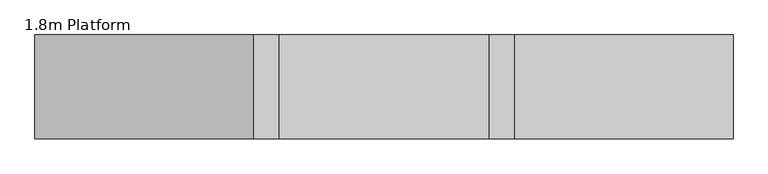
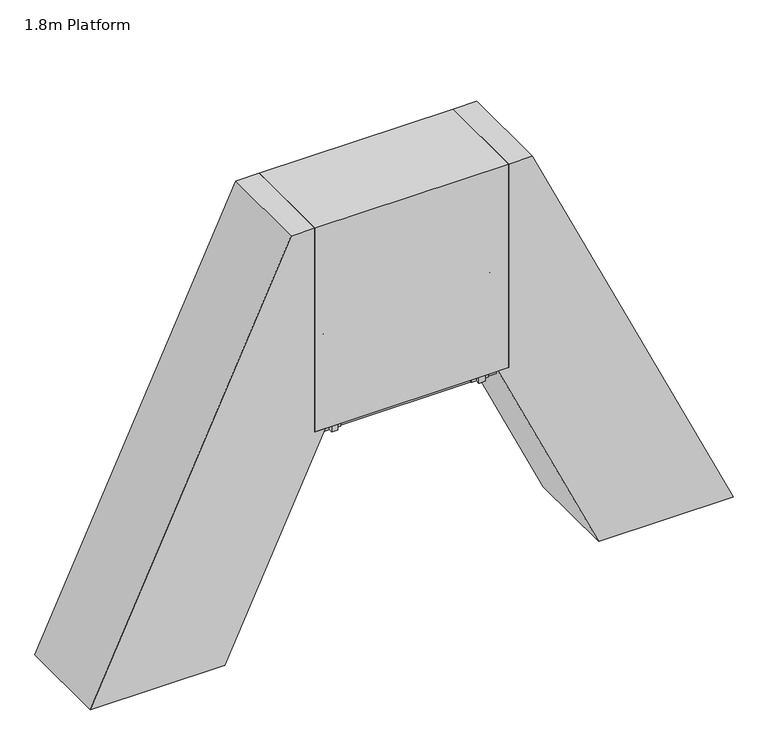
"""IFC4 building model written with IfcOpenShell, lengths in millimetres: proxy geometry, 1.8m Platform."""

from ifc_helpers import new_model, si_unit, point, frame, frame_2d, origin, origin_with_axes, place, context, project, spatial, polyline, circle_curve, ellipse_curve, trimmed, segment, composite_curve, outline, extrude, source, transform, mapped, element, save
from ifc_brep_helpers import plane_surface, cylinder_surface, advanced_brep


def proxy_1_8m_platform_fa402ae0(model_context):
    return source(origin(), model_context, "Body", "SolidModel", [
        extrude(outline(polyline([(1750.0, -37.3232176), (1750.0, -147.6610096), (1670.0, -184.9656223), (1670.0, -74.6278252), (1750.0, -37.3232176)])), frame((0.0, -304.5, 0.0), z_axis=(0.0, 1.0, 0.0), x_axis=(0.0, 0.0, 1.0)), (0.0, 0.0, 1.0), 6.0),
        extrude(outline(polyline([(1750.0, -37.3232176), (1750.0, -147.6610096), (1670.0, -184.9656223), (1670.0, -74.6278252), (1750.0, -37.3232176)])), frame((0.0, 298.5, 0.0), z_axis=(0.0, 1.0, 0.0), x_axis=(0.0, 0.0, 1.0)), (0.0, 0.0, 1.0), 6.0),
        extrude(outline(polyline([(1750.0, -44.4951739), (1750.0, -64.7570794), (1749.2749538, -65.0951739), (1750.0, -65.4332685), (1750.0, -85.3570794), (1749.2749538, -85.6951739), (1750.0, -86.0332685), (1750.0, -105.9570794), (1749.2749538, -106.2951739), (1750.0, -106.6332685), (1750.0, -126.5570794), (1749.2749538, -126.8951739), (1750.0, -127.2332685), (1750.0, -147.6610096), (1712.0999991, -165.3340703), (1712.0999991, -163.1273145), (1747.0, -146.8531768), (1747.0, -48.1008525), (1712.0999991, -64.374988), (1712.0999991, -62.1682322), (1750.0, -44.4951739)])), frame((0.0, -298.5, 0.0), z_axis=(0.0, 1.0, 0.0), x_axis=(0.0, 0.0, 1.0)), (0.0, 0.0, 1.0), 597.0),
        extrude(outline(polyline([(1500.0, -153.9047051), (1500.0, -264.2424971), (1420.0, -301.5471097), (1420.0, -191.2093127), (1500.0, -153.9047051)])), frame((0.0, -304.5, 0.0), z_axis=(0.0, 1.0, 0.0), x_axis=(0.0, 0.0, 1.0)), (0.0, 0.0, 1.0), 6.0),
        extrude(outline(polyline([(1500.0, -153.9047051), (1500.0, -264.2424971), (1420.0, -301.5471097), (1420.0, -191.2093127), (1500.0, -153.9047051)])), frame((0.0, 298.5, 0.0), z_axis=(0.0, 1.0, 0.0), x_axis=(0.0, 0.0, 1.0)), (0.0, 0.0, 1.0), 6.0),
        extrude(outline(polyline([(1500.0, -161.0766614), (1500.0, -181.3385668), (1499.2749538, -181.6766614), (1500.0, -182.0147559), (1500.0, -201.9385668), (1499.2749538, -202.2766614), (1500.0, -202.6147559), (1500.0, -222.5385668), (1499.2749538, -222.8766614), (1500.0, -223.2147559), (1500.0, -243.1385668), (1499.2749538, -243.4766614), (1500.0, -243.8147559), (1500.0, -264.2424971), (1462.0999991, -281.9155577), (1462.0999991, -279.7088019), (1497.0, -263.4346642), (1497.0, -164.6823399), (1462.0999991, -180.9564754), (1462.0999991, -178.7497196), (1500.0, -161.0766614)])), frame((0.0, -298.5, 0.0), z_axis=(0.0, 1.0, 0.0), x_axis=(0.0, 0.0, 1.0)), (0.0, 0.0, 1.0), 597.0),
        extrude(outline(polyline([(1250.0, -270.4861925), (1250.0, -380.8239845), (1170.0, -418.1285972), (1170.0, -307.7908001), (1250.0, -270.4861925)])), frame((0.0, -304.5, 0.0), z_axis=(0.0, 1.0, 0.0), x_axis=(0.0, 0.0, 1.0)), (0.0, 0.0, 1.0), 6.0),
        extrude(outline(polyline([(1250.0, -270.4861925), (1250.0, -380.8239845), (1170.0, -418.1285972), (1170.0, -307.7908001), (1250.0, -270.4861925)])), frame((0.0, 298.5, 0.0), z_axis=(0.0, 1.0, 0.0), x_axis=(0.0, 0.0, 1.0)), (0.0, 0.0, 1.0), 6.0),
        extrude(outline(polyline([(1250.0, -277.6581488), (1250.0, -297.9200542), (1249.2749538, -298.2581488), (1250.0, -298.5962434), (1250.0, -318.5200542), (1249.2749538, -318.8581488), (1250.0, -319.1962434), (1250.0, -339.1200542), (1249.2749538, -339.4581488), (1250.0, -339.7962434), (1250.0, -359.7200542), (1249.2749538, -360.0581488), (1250.0, -360.3962434), (1250.0, -380.8239845), (1212.0999991, -398.4970451), (1212.0999991, -396.2902893), (1247.0, -380.0161516), (1247.0, -281.2638274), (1212.0999991, -297.5379628), (1212.0999991, -295.331207), (1250.0, -277.6581488)])), frame((0.0, -298.5, 0.0), z_axis=(0.0, 1.0, 0.0), x_axis=(0.0, 0.0, 1.0)), (0.0, 0.0, 1.0), 597.0),
        extrude(outline(polyline([(1000.0, -387.0676799), (1000.0, -497.4054719), (920.0, -534.7100846), (920.0, -424.3722875), (1000.0, -387.0676799)])), frame((0.0, -304.5, 0.0), z_axis=(0.0, 1.0, 0.0), x_axis=(0.0, 0.0, 1.0)), (0.0, 0.0, 1.0), 6.0),
        extrude(outline(polyline([(1000.0, -387.0676799), (1000.0, -497.4054719), (920.0, -534.7100846), (920.0, -424.3722875), (1000.0, -387.0676799)])), frame((0.0, 298.5, 0.0), z_axis=(0.0, 1.0, 0.0), x_axis=(0.0, 0.0, 1.0)), (0.0, 0.0, 1.0), 6.0),
        extrude(outline(polyline([(1000.0, -394.2396362), (1000.0, -414.5015416), (999.2749538, -414.8396362), (1000.0, -415.1777308), (1000.0, -435.1015416), (999.2749538, -435.4396362), (1000.0, -435.7777308), (1000.0, -455.7015416), (999.2749538, -456.0396362), (1000.0, -456.3777308), (1000.0, -476.3015416), (999.2749538, -476.6396362), (1000.0, -476.9777308), (1000.0, -497.4054719), (962.0999991, -515.0785326), (962.0999991, -512.8717767), (997.0, -496.5976391), (997.0, -397.8453148), (962.0999991, -414.1194502), (962.0999991, -411.9126945), (1000.0, -394.2396362)])), frame((0.0, -298.5, 0.0), z_axis=(0.0, 1.0, 0.0), x_axis=(0.0, 0.0, 1.0)), (0.0, 0.0, 1.0), 597.0),
        extrude(outline(polyline([(750.0, -503.6491673), (750.0, -613.9869594), (670.0, -651.291572), (670.0, -540.9537749), (750.0, -503.6491673)])), frame((0.0, -304.5, 0.0), z_axis=(0.0, 1.0, 0.0), x_axis=(0.0, 0.0, 1.0)), (0.0, 0.0, 1.0), 6.0),
        extrude(outline(polyline([(750.0, -503.6491673), (750.0, -613.9869594), (670.0, -651.291572), (670.0, -540.9537749), (750.0, -503.6491673)])), frame((0.0, 298.5, 0.0), z_axis=(0.0, 1.0, 0.0), x_axis=(0.0, 0.0, 1.0)), (0.0, 0.0, 1.0), 6.0),
        extrude(outline(polyline([(750.0, -510.8211236), (750.0, -531.0830291), (749.2749538, -531.4211236), (750.0, -531.7592182), (750.0, -551.6830291), (749.2749538, -552.0211236), (750.0, -552.3592182), (750.0, -572.2830291), (749.2749538, -572.6211236), (750.0, -572.9592182), (750.0, -592.8830291), (749.2749538, -593.2211236), (750.0, -593.5592182), (750.0, -613.9869594), (712.0999991, -631.66002), (712.0999991, -629.4532642), (747.0, -613.1791265), (747.0, -514.4268022), (712.0999991, -530.7009377), (712.0999991, -528.4941819), (750.0, -510.8211236)])), frame((0.0, -298.5, 0.0), z_axis=(0.0, 1.0, 0.0), x_axis=(0.0, 0.0, 1.0)), (0.0, 0.0, 1.0), 597.0),
        extrude(outline(polyline([(500.0, -620.2306548), (500.0, -730.5684468), (420.0, -767.8730594), (420.0, -657.5352624), (500.0, -620.2306548)])), frame((0.0, -304.5, 0.0), z_axis=(0.0, 1.0, 0.0), x_axis=(0.0, 0.0, 1.0)), (0.0, 0.0, 1.0), 6.0),
        extrude(outline(polyline([(500.0, -620.2306548), (500.0, -730.5684468), (420.0, -767.8730594), (420.0, -657.5352624), (500.0, -620.2306548)])), frame((0.0, 298.5, 0.0), z_axis=(0.0, 1.0, 0.0), x_axis=(0.0, 0.0, 1.0)), (0.0, 0.0, 1.0), 6.0),
        extrude(outline(polyline([(500.0, -627.4026111), (500.0, -647.6645165), (499.2749538, -648.0026111), (500.0, -648.3407056), (500.0, -668.2645165), (499.2749538, -668.6026111), (500.0, -668.9407056), (500.0, -688.8645165), (499.2749538, -689.2026111), (500.0, -689.5407056), (500.0, -709.4645165), (499.2749538, -709.8026111), (500.0, -710.1407056), (500.0, -730.5684468), (462.0999991, -748.2415074), (462.0999991, -746.0347516), (497.0, -729.7606139), (497.0, -631.0082896), (462.0999991, -647.2824251), (462.0999991, -645.0756693), (500.0, -627.4026111)])), frame((0.0, -298.5, 0.0), z_axis=(0.0, 1.0, 0.0), x_axis=(0.0, 0.0, 1.0)), (0.0, 0.0, 1.0), 597.0),
        extrude(outline(polyline([(-0.0541093, 0.0), (0.7582532, 5.9447512), (185.4590013, 5.9447512), (254.8144324, -3.5328109), (254.0020699, -9.4775622), (184.6466388, 0.0), (-0.0541093, 0.0)])), frame((-654.795957, -375.0, 1079.978918), z_axis=(0.4226302122585525, 0.0, 0.9063022143227341), x_axis=(0.897956867570804, 0.13539374535780344, -0.4187385791880372)), (0.0, 0.0, 1.0), 80.0),
        extrude(outline(polyline([(-0.0541093, 0.0), (0.7582532, 5.9447512), (185.4590013, 5.9447512), (254.8144324, -3.5328109), (254.0020699, -9.4775622), (184.6466388, 0.0), (-0.0541093, 0.0)])), frame((-293.5643851, -375.0, 1854.615856), z_axis=(0.4226302122585525, 0.0, 0.9063022143227341), x_axis=(0.897956867570804, 0.13539374535780344, -0.4187385791880372)), (0.0, 0.0, 1.0), 80.0),
        extrude(outline(polyline([(0.0, 32.0), (2.9999999, 32.0), (2.9999999, 0.0), (0.0, 0.0), (0.0, 32.0)])), frame((-670.2423578, -388.0, 1054.0803998), z_axis=(0.4226302122585525, 0.0, 0.9063022143227341), x_axis=(0.9063022143227341, 0.0, -0.4226302122585525)), (0.0, 0.0, 1.0), 140.0),
        extrude(outline(polyline([(0.0, 32.0), (2.9999999, 32.0), (2.9999999, 0.0), (0.0, 0.0), (0.0, 32.0)])), frame((-309.0107859, -388.0, 1828.7173378), z_axis=(0.4226302122585525, 0.0, 0.9063022143227341), x_axis=(0.9063022143227341, 0.0, -0.4226302122585525)), (0.0, 0.0, 1.0), 140.0),
        extrude(outline(composite_curve([segment(trimmed(circle_curve(frame_2d((0.0, 14.189404)), 22.4521533), [point((-17.4, 0.0))], [point((17.4, 0.0))], False, "CARTESIAN"), True, "CONTINUOUS"), segment(polyline([(17.4, 0.0), (-17.4, 0.0)]), True, "CONTINUOUS")], self_intersect=False)), frame((-742.0894939, -372.0, 900.0090234), z_axis=(0.4226302122585525, 0.0, 0.9063022143227341), x_axis=(0.0, 1.0, 0.0)), (0.0, 0.0, 1.0), 2184.7225481),
        extrude(outline(polyline([(-0.0541093, 0.0), (184.6466388, 0.0), (254.0020699, 9.4775622), (254.8144324, 3.5328109), (185.4590013, -5.9447512), (0.7582532, -5.9447512), (-0.0541093, 0.0)])), frame((-654.7949657, 375.0, 1079.981044), z_axis=(0.4226302122585526, 0.0, 0.9063022143227341), x_axis=(0.8979568675708031, -0.13539374535780926, -0.4187385791880372)), (0.0, 0.0, 1.0), 80.0),
        extrude(outline(polyline([(-0.0541093, 0.0), (184.6466389, 0.0), (254.00207, 9.4775622), (254.8144324, 3.532811), (185.4590014, -5.9447512), (0.7582532, -5.9447512), (-0.0541093, 0.0)])), frame((-293.5633938, 375.0, 1854.617982), z_axis=(0.4226302122585526, 0.0, 0.9063022143227341), x_axis=(0.8979568675708031, -0.13539374535780926, -0.4187385791880372)), (0.0, 0.0, 1.0), 80.0),
        extrude(outline(polyline([(0.0, -32.0), (0.0, 0.0), (2.9999999, 0.0), (2.9999999, -32.0), (0.0, -32.0)])), frame((-670.2413665, 388.0, 1054.0825258), z_axis=(0.4226302122585525, 0.0, 0.9063022143227341), x_axis=(0.9063022143227341, 0.0, -0.4226302122585525)), (0.0, 0.0, 1.0), 140.0),
        extrude(outline(polyline([(0.0, -32.0), (0.0, 0.0), (3.0, 0.0), (3.0, -32.0), (0.0, -32.0)])), frame((-309.0097946, 388.0, 1828.7194638), z_axis=(0.4226302122585525, 0.0, 0.9063022143227341), x_axis=(0.9063022143227341, 0.0, -0.4226302122585525)), (0.0, 0.0, 1.0), 140.0),
        extrude(outline(composite_curve([segment(polyline([(-17.4, 0.0), (17.4, 0.0)]), True, "CONTINUOUS"), segment(trimmed(circle_curve(frame_2d((0.0, -14.189404)), 22.4521533), [point((17.4, 0.0))], [point((-17.4, 0.0))], False, "CARTESIAN"), True, "CONTINUOUS")], self_intersect=False)), frame((-742.0885026, 372.0, 900.0111494), z_axis=(0.4226302122585525, 0.0, 0.9063022143227341), x_axis=(0.0, -1.0, 0.0)), (0.0, 0.0, 1.0), 2184.7225481),
        extrude(outline(polyline([(2000.0, 79.2582698), (2000.0, -31.0795222), (1920.0, -68.3841349), (1920.0, 41.9536622), (2000.0, 79.2582698)])), frame((0.0, -304.5, 0.0), z_axis=(0.0, 1.0, 0.0), x_axis=(0.0, 0.0, 1.0)), (0.0, 0.0, 1.0), 6.0),
        extrude(outline(polyline([(2000.0, 79.2582698), (2000.0, -31.0795222), (1920.0, -68.3841349), (1920.0, 41.9536622), (2000.0, 79.2582698)])), frame((0.0, 298.5, 0.0), z_axis=(0.0, 1.0, 0.0), x_axis=(0.0, 0.0, 1.0)), (0.0, 0.0, 1.0), 6.0),
        extrude(outline(polyline([(2000.0, 72.0863135), (2000.0, 51.8244081), (1999.2749538, 51.4863135), (2000.0, 51.1482189), (2000.0, 31.2244081), (1999.2749538, 30.8863135), (2000.0, 30.5482189), (2000.0, 10.6244081), (1999.2749538, 10.2863135), (2000.0, 9.9482189), (2000.0, -9.9755919), (1999.2749538, -10.3136865), (2000.0, -10.6517811), (2000.0, -31.0795222), (1962.0999991, -48.7525829), (1962.0999991, -46.545827), (1997.0, -30.2716894), (1997.0, 68.4806349), (1962.0999991, 52.2064995), (1962.0999991, 54.4132553), (2000.0, 72.0863135)])), frame((0.0, -298.5, 0.0), z_axis=(0.0, 1.0, 0.0), x_axis=(0.0, 0.0, 1.0)), (0.0, 0.0, 1.0), 597.0),
        extrude(outline(polyline([(250.0, -736.8121422), (250.0, -847.1499342), (170.0, -884.4545469), (170.0, -774.1167498), (250.0, -736.8121422)])), frame((0.0, -304.5, 0.0), z_axis=(0.0, 1.0, 0.0), x_axis=(0.0, 0.0, 1.0)), (0.0, 0.0, 1.0), 6.0),
        extrude(outline(polyline([(250.0, -736.8121422), (250.0, -847.1499342), (170.0, -884.4545469), (170.0, -774.1167498), (250.0, -736.8121422)])), frame((0.0, 298.5, 0.0), z_axis=(0.0, 1.0, 0.0), x_axis=(0.0, 0.0, 1.0)), (0.0, 0.0, 1.0), 6.0),
        extrude(outline(polyline([(250.0, -743.9840985), (250.0, -764.2460039), (249.2749538, -764.5840985), (250.0, -764.9221931), (250.0, -784.8460039), (249.2749538, -785.1840985), (250.0, -785.5221931), (250.0, -805.4460039), (249.2749538, -805.7840985), (250.0, -806.1221931), (250.0, -826.0460039), (249.2749538, -826.3840985), (250.0, -826.7221931), (250.0, -847.1499342), (212.0999991, -864.8229949), (212.0999991, -862.616239), (247.0, -846.3421014), (247.0, -747.5897771), (212.0999991, -763.8639125), (212.0999991, -761.6571567), (250.0, -743.9840985)])), frame((0.0, -298.5, 0.0), z_axis=(0.0, 1.0, 0.0), x_axis=(0.0, 0.0, 1.0)), (0.0, 0.0, 1.0), 597.0),
        advanced_brep(
        [(232.0863135, -372.0, 2942.0), (232.0863135, -372.0, 2987.0), (219.3551755, -372.0, 2942.0), (190.687222, -372.0, 2987.0), (188.8104548, -372.0, 2876.4977609), (148.0267296, -372.0, 2895.5158512)],
        [
            (0, 1, circle_curve(frame((232.0863135, -372.0, 2964.5), z_axis=(1.0, 0.0, 0.0), x_axis=(0.0, 0.0, 1.0)), 22.5)),
            (1, 0, circle_curve(frame((232.0863135, -372.0, 2964.5), z_axis=(1.0, 0.0, 0.0), x_axis=(0.0, 0.0, 1.0)), 22.5)),
            (0, 2),
            (2, 3, ellipse_curve(frame((205.0211988, -372.0, 2964.5), z_axis=(0.8433932143582125, 0.0, 0.5372968322766498), x_axis=(0.5372968322766497, 0.0, -0.8433932143582125)), 26.6779476, 22.5)),
            (3, 1),
            (3, 2, ellipse_curve(frame((205.0211988, -372.0, 2964.5), z_axis=(0.8433932143582125, 0.0, 0.5372968322766498), x_axis=(0.5372968322766497, 0.0, -0.8433932143582125)), 26.6779476, 22.5)),
            (4, 5, circle_curve(frame((168.4185922, -372.0, 2886.0068061), z_axis=(-0.42262422805095523, 0.0, -0.9063050048765781), x_axis=(-0.9063050048765781, 0.0, 0.42262422805095523)), 22.5)),
            (5, 4, circle_curve(frame((168.4185922, -372.0, 2886.0068061), z_axis=(-0.42262422805095523, 0.0, -0.9063050048765781), x_axis=(-0.9063050048765781, 0.0, 0.42262422805095523)), 22.5)),
            (2, 4),
            (5, 3),
        ],
        [
            plane_surface(frame((232.0863135, 0.0, 2987.0), z_axis=(1.0, 0.0, 0.0), x_axis=(0.0, 1.0, 0.0))),
            cylinder_surface(frame((232.0863135, -372.0, 2964.5), z_axis=(1.0, 0.0, 0.0), x_axis=(0.0, 0.0, 1.0)), 22.5),
            plane_surface(frame((148.0267296, 0.0, 2895.5158512), z_axis=(-0.42262422805095523, 0.0, -0.9063050048765781), x_axis=(0.0, 1.0, 0.0))),
            cylinder_surface(frame((211.0790846, -372.0, 2977.4909549), z_axis=(0.42262422805095523, 0.0, 0.9063050048765781), x_axis=(-0.9063050048765781, 0.0, 0.42262422805095523)), 22.5),
        ],
        [
            (0, [[1, 2]]),
            (1, [[-1, 3, 4, 5]]),
            (1, [[-2, -5, 6, -3]]),
            (2, [[7, 8]]),
            (3, [[-4, 9, -8, 10]]),
            (3, [[-6, -10, -7, -9]]),
        ],
    ),
        advanced_brep(
        [(232.0863135, 372.0, 2942.0), (232.0863135, 372.0, 2987.0), (219.3551755, 372.0, 2942.0), (190.687222, 372.0, 2987.0), (188.8104548, 372.0, 2876.4977609), (148.0267296, 372.0, 2895.5158512)],
        [
            (0, 1, circle_curve(frame((232.0863135, 372.0, 2964.5), z_axis=(1.0, 0.0, 0.0), x_axis=(0.0, 0.0, 1.0)), 22.5)),
            (1, 0, circle_curve(frame((232.0863135, 372.0, 2964.5), z_axis=(1.0, 0.0, 0.0), x_axis=(0.0, 0.0, 1.0)), 22.5)),
            (0, 2),
            (2, 3, ellipse_curve(frame((205.0211988, 372.0, 2964.5), z_axis=(0.8433932143582125, 0.0, 0.5372968322766498), x_axis=(0.5372968322766497, 0.0, -0.8433932143582125)), 26.6779476, 22.5)),
            (3, 1),
            (3, 2, ellipse_curve(frame((205.0211988, 372.0, 2964.5), z_axis=(0.8433932143582125, 0.0, 0.5372968322766498), x_axis=(0.5372968322766497, 0.0, -0.8433932143582125)), 26.6779476, 22.5)),
            (4, 5, circle_curve(frame((168.4185922, 372.0, 2886.0068061), z_axis=(-0.42262422805095523, 0.0, -0.9063050048765781), x_axis=(-0.9063050048765781, 0.0, 0.42262422805095523)), 22.5)),
            (5, 4, circle_curve(frame((168.4185922, 372.0, 2886.0068061), z_axis=(-0.42262422805095523, 0.0, -0.9063050048765781), x_axis=(-0.9063050048765781, 0.0, 0.42262422805095523)), 22.5)),
            (2, 4),
            (5, 3),
        ],
        [
            plane_surface(frame((232.0863135, 0.0, 2987.0), z_axis=(1.0, 0.0, 0.0), x_axis=(0.0, 1.0, 0.0))),
            cylinder_surface(frame((232.0863135, 372.0, 2964.5), z_axis=(1.0, 0.0, 0.0), x_axis=(0.0, 0.0, 1.0)), 22.5),
            plane_surface(frame((148.0267296, 0.0, 2895.5158512), z_axis=(-0.42262422805095523, 0.0, -0.9063050048765781), x_axis=(0.0, 1.0, 0.0))),
            cylinder_surface(frame((211.0790846, 372.0, 2977.4909549), z_axis=(0.42262422805095523, 0.0, 0.9063050048765781), x_axis=(-0.9063050048765781, 0.0, 0.42262422805095523)), 22.5),
        ],
        [
            (0, [[1, 2]]),
            (1, [[-1, 3, 4, 5]]),
            (1, [[-2, -5, 6, -3]]),
            (2, [[7, 8]]),
            (3, [[-4, 9, -8, 10]]),
            (3, [[-6, -10, -7, -9]]),
        ],
    ),
        extrude(outline(polyline([(-304.5, 80.0), (-304.5, 0.0), (-343.0, 0.0), (-343.0, 80.0), (-304.5, 80.0)])), frame((-872.6587693, 0.0, 6.0), z_axis=(0.4226182617406975, 0.0, 0.9063077870366509), x_axis=(0.0, 1.0, 0.0)), (0.0, 0.0, 1.0), 2200.1355704),
        extrude(outline(polyline([(343.0, 80.0), (343.0, 0.0), (304.5, 0.0), (304.5, 80.0), (343.0, 80.0)])), frame((-872.6587693, 0.0, 6.0), z_axis=(0.4226182617406975, 0.0, 0.9063077870366509), x_axis=(0.0, 1.0, 0.0)), (0.0, 0.0, 1.0), 2200.1355704),
        extrude(outline(polyline([(141.9461681, -897.5362635), (6.0, -960.9290028), (6.0, -872.6587693), (108.1367071, -825.0316406), (141.9461681, -897.5362635)])), frame((0.0, -350.0, 0.0), z_axis=(0.0, 1.0, 0.0), x_axis=(0.0, 0.0, 1.0)), (0.0, 0.0, 1.0), 6.0),
        extrude(outline(polyline([(141.9461681, -897.5362635), (6.0, -960.9290028), (6.0, -872.6587693), (108.1367071, -825.0316406), (141.9461681, -897.5362635)])), frame((0.0, 344.0, 0.0), z_axis=(0.0, 1.0, 0.0), x_axis=(0.0, 0.0, 1.0)), (0.0, 0.0, 1.0), 6.0),
        extrude(outline(polyline([(-966.8290028, -358.0), (-966.8290028, 358.0), (-866.8290028, 358.0), (-866.8290028, -358.0), (-966.8290028, -358.0)])), origin_with_axes(), (0.0, 0.0, 1.0), 6.0),
        extrude(outline(polyline([(2000.0, 168.9194894), (2000.0, 72.0863135), (4000.0, 72.0863135), (4000.0, -146.6481104), (0.0, -2011.9429561), (0.0, -763.7279335), (2000.0, 168.9194894)])), frame((0.0, -444.5, 0.0), z_axis=(0.0, 1.0, 0.0), x_axis=(0.0, 0.0, 1.0)), (0.0, 0.0, 1.0), 889.0),
        extrude(outline(polyline([(1750.0, 1981.4958446), (1670.0, 2018.8004522), (1670.0, 2129.1382493), (1750.0, 2091.8336367), (1750.0, 1981.4958446)])), frame((0.0, 298.5, 0.0), z_axis=(0.0, 1.0, 0.0), x_axis=(0.0, 0.0, 1.0)), (0.0, 0.0, 1.0), 6.0),
        extrude(outline(polyline([(1750.0, 1981.4958446), (1670.0, 2018.8004522), (1670.0, 2129.1382493), (1750.0, 2091.8336367), (1750.0, 1981.4958446)])), frame((0.0, -304.5, 0.0), z_axis=(0.0, 1.0, 0.0), x_axis=(0.0, 0.0, 1.0)), (0.0, 0.0, 1.0), 6.0),
        extrude(outline(polyline([(1750.0, 1988.6678009), (1712.0999991, 2006.3408592), (1712.0999991, 2008.547615), (1747.0, 1992.2734795), (1747.0, 2091.0258038), (1712.0999991, 2107.2999415), (1712.0999991, 2109.5066973), (1750.0, 2091.8336367), (1750.0, 2071.4058955), (1749.2749538, 2071.0678009), (1750.0, 2070.7297064), (1750.0, 2050.8058955), (1749.2749538, 2050.4678009), (1750.0, 2050.1297064), (1750.0, 2030.2058955), (1749.2749538, 2029.8678009), (1750.0, 2029.5297064), (1750.0, 2009.6058955), (1749.2749538, 2009.2678009), (1750.0, 2008.9297064), (1750.0, 1988.6678009)])), frame((0.0, -298.5, 0.0), z_axis=(0.0, 1.0, 0.0), x_axis=(0.0, 0.0, 1.0)), (0.0, 0.0, 1.0), 597.0),
        extrude(outline(polyline([(1500.0, 2098.0773321), (1420.0, 2135.3819397), (1420.0, 2245.7197367), (1500.0, 2208.4151241), (1500.0, 2098.0773321)])), frame((0.0, 298.5, 0.0), z_axis=(0.0, 1.0, 0.0), x_axis=(0.0, 0.0, 1.0)), (0.0, 0.0, 1.0), 6.0),
        extrude(outline(polyline([(1500.0, 2098.0773321), (1420.0, 2135.3819397), (1420.0, 2245.7197367), (1500.0, 2208.4151241), (1500.0, 2098.0773321)])), frame((0.0, -304.5, 0.0), z_axis=(0.0, 1.0, 0.0), x_axis=(0.0, 0.0, 1.0)), (0.0, 0.0, 1.0), 6.0),
        extrude(outline(polyline([(1500.0, 2105.2492884), (1462.0999991, 2122.9223466), (1462.0999991, 2125.1291024), (1497.0, 2108.8549669), (1497.0, 2207.6072912), (1462.0999991, 2223.8814289), (1462.0999991, 2226.0881847), (1500.0, 2208.4151241), (1500.0, 2187.9873829), (1499.2749538, 2187.6492884), (1500.0, 2187.3111938), (1500.0, 2167.3873829), (1499.2749538, 2167.0492884), (1500.0, 2166.7111938), (1500.0, 2146.7873829), (1499.2749538, 2146.4492884), (1500.0, 2146.1111938), (1500.0, 2126.1873829), (1499.2749538, 2125.8492884), (1500.0, 2125.5111938), (1500.0, 2105.2492884)])), frame((0.0, -298.5, 0.0), z_axis=(0.0, 1.0, 0.0), x_axis=(0.0, 0.0, 1.0)), (0.0, 0.0, 1.0), 597.0),
        extrude(outline(polyline([(1250.0, 2214.6588195), (1170.0, 2251.9634271), (1170.0, 2362.3012242), (1250.0, 2324.9966115), (1250.0, 2214.6588195)])), frame((0.0, 298.5, 0.0), z_axis=(0.0, 1.0, 0.0), x_axis=(0.0, 0.0, 1.0)), (0.0, 0.0, 1.0), 6.0),
        extrude(outline(polyline([(1250.0, 2214.6588195), (1170.0, 2251.9634271), (1170.0, 2362.3012242), (1250.0, 2324.9966115), (1250.0, 2214.6588195)])), frame((0.0, -304.5, 0.0), z_axis=(0.0, 1.0, 0.0), x_axis=(0.0, 0.0, 1.0)), (0.0, 0.0, 1.0), 6.0),
        extrude(outline(polyline([(1250.0, 2221.8307758), (1212.0999991, 2239.503834), (1212.0999991, 2241.7105898), (1247.0, 2225.4364544), (1247.0, 2324.1887786), (1212.0999991, 2340.4629163), (1212.0999991, 2342.6696722), (1250.0, 2324.9966115), (1250.0, 2304.5688704), (1249.2749538, 2304.2307758), (1250.0, 2303.8926812), (1250.0, 2283.9688704), (1249.2749538, 2283.6307758), (1250.0, 2283.2926812), (1250.0, 2263.3688704), (1249.2749538, 2263.0307758), (1250.0, 2262.6926812), (1250.0, 2242.7688704), (1249.2749538, 2242.4307758), (1250.0, 2242.0926812), (1250.0, 2221.8307758)])), frame((0.0, -298.5, 0.0), z_axis=(0.0, 1.0, 0.0), x_axis=(0.0, 0.0, 1.0)), (0.0, 0.0, 1.0), 597.0),
        extrude(outline(polyline([(1000.0, 2331.2403069), (920.0, 2368.5449145), (920.0, 2478.8827116), (1000.0, 2441.5780989), (1000.0, 2331.2403069)])), frame((0.0, 298.5, 0.0), z_axis=(0.0, 1.0, 0.0), x_axis=(0.0, 0.0, 1.0)), (0.0, 0.0, 1.0), 6.0),
        extrude(outline(polyline([(1000.0, 2331.2403069), (920.0, 2368.5449145), (920.0, 2478.8827116), (1000.0, 2441.5780989), (1000.0, 2331.2403069)])), frame((0.0, -304.5, 0.0), z_axis=(0.0, 1.0, 0.0), x_axis=(0.0, 0.0, 1.0)), (0.0, 0.0, 1.0), 6.0),
        extrude(outline(polyline([(1000.0, 2338.4122632), (962.0999991, 2356.0853215), (962.0999991, 2358.2920772), (997.0, 2342.0179418), (997.0, 2440.7702661), (962.0999991, 2457.0444037), (962.0999991, 2459.2511596), (1000.0, 2441.5780989), (1000.0, 2421.1503578), (999.2749538, 2420.8122632), (1000.0, 2420.4741686), (1000.0, 2400.5503578), (999.2749538, 2400.2122632), (1000.0, 2399.8741686), (1000.0, 2379.9503578), (999.2749538, 2379.6122632), (1000.0, 2379.2741686), (1000.0, 2359.3503578), (999.2749538, 2359.0122632), (1000.0, 2358.6741686), (1000.0, 2338.4122632)])), frame((0.0, -298.5, 0.0), z_axis=(0.0, 1.0, 0.0), x_axis=(0.0, 0.0, 1.0)), (0.0, 0.0, 1.0), 597.0),
        extrude(outline(polyline([(750.0, 2447.8217943), (670.0, 2485.1264019), (670.0, 2595.464199), (750.0, 2558.1595864), (750.0, 2447.8217943)])), frame((0.0, 298.5, 0.0), z_axis=(0.0, 1.0, 0.0), x_axis=(0.0, 0.0, 1.0)), (0.0, 0.0, 1.0), 6.0),
        extrude(outline(polyline([(750.0, 2447.8217943), (670.0, 2485.1264019), (670.0, 2595.464199), (750.0, 2558.1595864), (750.0, 2447.8217943)])), frame((0.0, -304.5, 0.0), z_axis=(0.0, 1.0, 0.0), x_axis=(0.0, 0.0, 1.0)), (0.0, 0.0, 1.0), 6.0),
        extrude(outline(polyline([(750.0, 2454.9937506), (712.0999991, 2472.6668089), (712.0999991, 2474.8735647), (747.0, 2458.5994292), (747.0, 2557.3517535), (712.0999991, 2573.6258912), (712.0999991, 2575.832647), (750.0, 2558.1595864), (750.0, 2537.7318452), (749.2749538, 2537.3937506), (750.0, 2537.0556561), (750.0, 2517.1318452), (749.2749538, 2516.7937506), (750.0, 2516.4556561), (750.0, 2496.5318452), (749.2749538, 2496.1937506), (750.0, 2495.8556561), (750.0, 2475.9318452), (749.2749538, 2475.5937506), (750.0, 2475.2556561), (750.0, 2454.9937506)])), frame((0.0, -298.5, 0.0), z_axis=(0.0, 1.0, 0.0), x_axis=(0.0, 0.0, 1.0)), (0.0, 0.0, 1.0), 597.0),
        extrude(outline(polyline([(500.0, 2564.4032818), (420.0, 2601.7078894), (420.0, 2712.0456864), (500.0, 2674.7410738), (500.0, 2564.4032818)])), frame((0.0, 298.5, 0.0), z_axis=(0.0, 1.0, 0.0), x_axis=(0.0, 0.0, 1.0)), (0.0, 0.0, 1.0), 6.0),
        extrude(outline(polyline([(500.0, 2564.4032818), (420.0, 2601.7078894), (420.0, 2712.0456864), (500.0, 2674.7410738), (500.0, 2564.4032818)])), frame((0.0, -304.5, 0.0), z_axis=(0.0, 1.0, 0.0), x_axis=(0.0, 0.0, 1.0)), (0.0, 0.0, 1.0), 6.0),
        extrude(outline(polyline([(500.0, 2571.5752381), (462.0999991, 2589.2482963), (462.0999991, 2591.4550521), (497.0, 2575.1809166), (497.0, 2673.9332409), (462.0999991, 2690.2073786), (462.0999991, 2692.4141344), (500.0, 2674.7410738), (500.0, 2654.3133326), (499.2749538, 2653.9752381), (500.0, 2653.6371435), (500.0, 2633.7133326), (499.2749538, 2633.3752381), (500.0, 2633.0371435), (500.0, 2613.1133326), (499.2749538, 2612.7752381), (500.0, 2612.4371435), (500.0, 2592.5133326), (499.2749538, 2592.1752381), (500.0, 2591.8371435), (500.0, 2571.5752381)])), frame((0.0, -298.5, 0.0), z_axis=(0.0, 1.0, 0.0), x_axis=(0.0, 0.0, 1.0)), (0.0, 0.0, 1.0), 597.0),
        extrude(outline(polyline([(-0.0541093, 0.0), (0.7582532, 5.9447512), (185.4590013, 5.9447512), (254.8144324, -3.5328109), (254.0020699, -9.4775622), (184.6466388, 0.0), (-0.0541093, 0.0)])), frame((2598.968584, 375.0, 1079.978918), z_axis=(-0.42263021225855246, 0.0, 0.906302214322734), x_axis=(-0.8979568675708035, -0.13539374535780635, -0.4187385791880372)), (0.0, 0.0, 1.0), 80.0),
        extrude(outline(polyline([(-0.0541093, 0.0), (0.7582532, 5.9447512), (185.4590013, 5.9447512), (254.8144324, -3.5328109), (254.0020699, -9.4775622), (184.6466388, 0.0), (-0.0541093, 0.0)])), frame((2237.7370121, 375.0, 1854.615856), z_axis=(-0.42263021225855246, 0.0, 0.906302214322734), x_axis=(-0.8979568675708035, -0.13539374535780635, -0.4187385791880372)), (0.0, 0.0, 1.0), 80.0),
        extrude(outline(polyline([(0.0, 32.0), (2.9999999, 32.0), (2.9999999, 0.0), (0.0, 0.0), (0.0, 32.0)])), frame((2614.4149848, 388.0, 1054.0803998), z_axis=(-0.4226302122585525, 0.0, 0.9063022143227341), x_axis=(-0.9063022143227341, 0.0, -0.4226302122585525)), (0.0, 0.0, 1.0), 140.0),
        extrude(outline(polyline([(0.0, 32.0), (2.9999999, 32.0), (2.9999999, 0.0), (0.0, 0.0), (0.0, 32.0)])), frame((2253.1834129, 388.0, 1828.7173378), z_axis=(-0.4226302122585525, 0.0, 0.9063022143227341), x_axis=(-0.9063022143227341, 0.0, -0.4226302122585525)), (0.0, 0.0, 1.0), 140.0),
        extrude(outline(composite_curve([segment(trimmed(circle_curve(frame_2d((0.0, 14.189404)), 22.4521533), [point((-17.4, 0.0))], [point((17.4, 0.0))], False, "CARTESIAN"), True, "CONTINUOUS"), segment(polyline([(17.4, 0.0), (-17.4, 0.0)]), True, "CONTINUOUS")], self_intersect=False)), frame((2686.2621209, 372.0, 900.0090234), z_axis=(-0.4226302122585525, 0.0, 0.9063022143227341), x_axis=(0.0, -1.0, 0.0)), (0.0, 0.0, 1.0), 2184.7225481),
        extrude(outline(polyline([(-0.0541093, 0.0), (184.6466388, 0.0), (254.0020699, 9.4775622), (254.8144324, 3.5328109), (185.4590013, -5.9447512), (0.7582532, -5.9447512), (-0.0541093, 0.0)])), frame((2598.9675927, -375.0, 1079.981044), z_axis=(-0.42263021225855246, 0.0, 0.906302214322734), x_axis=(-0.8979568675708035, 0.13539374535780635, -0.4187385791880372)), (0.0, 0.0, 1.0), 80.0),
        extrude(outline(polyline([(-0.0541093, 0.0), (184.6466389, 0.0), (254.00207, 9.4775622), (254.8144324, 3.532811), (185.4590014, -5.9447512), (0.7582532, -5.9447512), (-0.0541093, 0.0)])), frame((2237.7360208, -375.0, 1854.617982), z_axis=(-0.42263021225855246, 0.0, 0.906302214322734), x_axis=(-0.8979568675708035, 0.13539374535780635, -0.4187385791880372)), (0.0, 0.0, 1.0), 80.0),
        extrude(outline(polyline([(0.0, -32.0), (0.0, 0.0), (2.9999999, 0.0), (2.9999999, -32.0), (0.0, -32.0)])), frame((2614.4139935, -388.0, 1054.0825258), z_axis=(-0.4226302122585525, 0.0, 0.9063022143227341), x_axis=(-0.9063022143227341, 0.0, -0.4226302122585525)), (0.0, 0.0, 1.0), 140.0),
        extrude(outline(polyline([(0.0, -32.0), (0.0, 0.0), (3.0, 0.0), (3.0, -32.0), (0.0, -32.0)])), frame((2253.1824216, -388.0, 1828.7194638), z_axis=(-0.4226302122585525, 0.0, 0.9063022143227341), x_axis=(-0.9063022143227341, 0.0, -0.4226302122585525)), (0.0, 0.0, 1.0), 140.0),
        extrude(outline(composite_curve([segment(polyline([(-17.4, 0.0), (17.4, 0.0)]), True, "CONTINUOUS"), segment(trimmed(circle_curve(frame_2d((0.0, -14.189404)), 22.4521533), [point((17.4, 0.0))], [point((-17.4, 0.0))], False, "CARTESIAN"), True, "CONTINUOUS")], self_intersect=False)), frame((2686.2611296, -372.0, 900.0111494), z_axis=(-0.4226302122585525, 0.0, 0.9063022143227341), x_axis=(0.0, 1.0, 0.0)), (0.0, 0.0, 1.0), 2184.7225481),
        extrude(outline(polyline([(2000.0, 1864.9143572), (1920.0, 1902.2189648), (1920.0, 2012.5567619), (2000.0, 1975.2521492), (2000.0, 1864.9143572)])), frame((0.0, 298.5, 0.0), z_axis=(0.0, 1.0, 0.0), x_axis=(0.0, 0.0, 1.0)), (0.0, 0.0, 1.0), 6.0),
        extrude(outline(polyline([(2000.0, 1864.9143572), (1920.0, 1902.2189648), (1920.0, 2012.5567619), (2000.0, 1975.2521492), (2000.0, 1864.9143572)])), frame((0.0, -304.5, 0.0), z_axis=(0.0, 1.0, 0.0), x_axis=(0.0, 0.0, 1.0)), (0.0, 0.0, 1.0), 6.0),
        extrude(outline(polyline([(2000.0, 1872.0863135), (1962.0999991, 1889.7593717), (1962.0999991, 1891.9661275), (1997.0, 1875.6919921), (1997.0, 1974.4443164), (1962.0999991, 1990.718454), (1962.0999991, 1992.9252099), (2000.0, 1975.2521492), (2000.0, 1954.8244081), (1999.2749538, 1954.4863135), (2000.0, 1954.1482189), (2000.0, 1934.2244081), (1999.2749538, 1933.8863135), (2000.0, 1933.5482189), (2000.0, 1913.6244081), (1999.2749538, 1913.2863135), (2000.0, 1912.9482189), (2000.0, 1893.0244081), (1999.2749538, 1892.6863135), (2000.0, 1892.3482189), (2000.0, 1872.0863135)])), frame((0.0, -298.5, 0.0), z_axis=(0.0, 1.0, 0.0), x_axis=(0.0, 0.0, 1.0)), (0.0, 0.0, 1.0), 597.0),
        extrude(outline(polyline([(250.0, 2680.9847692), (170.0, 2718.2893768), (170.0, 2828.6271739), (250.0, 2791.3225612), (250.0, 2680.9847692)])), frame((0.0, 298.5, 0.0), z_axis=(0.0, 1.0, 0.0), x_axis=(0.0, 0.0, 1.0)), (0.0, 0.0, 1.0), 6.0),
        extrude(outline(polyline([(250.0, 2680.9847692), (170.0, 2718.2893768), (170.0, 2828.6271739), (250.0, 2791.3225612), (250.0, 2680.9847692)])), frame((0.0, -304.5, 0.0), z_axis=(0.0, 1.0, 0.0), x_axis=(0.0, 0.0, 1.0)), (0.0, 0.0, 1.0), 6.0),
        extrude(outline(polyline([(250.0, 2688.1567255), (212.0999991, 2705.8297837), (212.0999991, 2708.0365395), (247.0, 2691.7624041), (247.0, 2790.5147284), (212.0999991, 2806.788866), (212.0999991, 2808.9956219), (250.0, 2791.3225612), (250.0, 2770.8948201), (249.2749538, 2770.5567255), (250.0, 2770.2186309), (250.0, 2750.2948201), (249.2749538, 2749.9567255), (250.0, 2749.6186309), (250.0, 2729.6948201), (249.2749538, 2729.3567255), (250.0, 2729.0186309), (250.0, 2709.0948201), (249.2749538, 2708.7567255), (250.0, 2708.4186309), (250.0, 2688.1567255)])), frame((0.0, -298.5, 0.0), z_axis=(0.0, 1.0, 0.0), x_axis=(0.0, 0.0, 1.0)), (0.0, 0.0, 1.0), 597.0),
        advanced_brep(
        [(1712.0863135, 372.0, 2942.0), (1712.0863135, 372.0, 2987.0), (1724.8174515, 372.0, 2942.0), (1753.485405, 372.0, 2987.0), (1755.3621722, 372.0, 2876.4977609), (1796.1458974, 372.0, 2895.5158512)],
        [
            (0, 1, circle_curve(frame((1712.0863135, 372.0, 2964.5), z_axis=(-1.0, 0.0, 0.0), x_axis=(0.0, 0.0, 1.0)), 22.5)),
            (1, 0, circle_curve(frame((1712.0863135, 372.0, 2964.5), z_axis=(-1.0, 0.0, 0.0), x_axis=(0.0, 0.0, 1.0)), 22.5)),
            (0, 2),
            (2, 3, ellipse_curve(frame((1739.1514282, 372.0, 2964.5), z_axis=(-0.8433932143582125, 0.0, 0.5372968322766498), x_axis=(-0.5372968322766497, 0.0, -0.8433932143582125)), 26.6779476, 22.5)),
            (3, 1),
            (3, 2, ellipse_curve(frame((1739.1514282, 372.0, 2964.5), z_axis=(-0.8433932143582125, 0.0, 0.5372968322766498), x_axis=(-0.5372968322766497, 0.0, -0.8433932143582125)), 26.6779476, 22.5)),
            (4, 5, circle_curve(frame((1775.7540348, 372.0, 2886.0068061), z_axis=(0.42262422805095523, 0.0, -0.9063050048765781), x_axis=(0.9063050048765781, 0.0, 0.42262422805095523)), 22.5)),
            (5, 4, circle_curve(frame((1775.7540348, 372.0, 2886.0068061), z_axis=(0.42262422805095523, 0.0, -0.9063050048765781), x_axis=(0.9063050048765781, 0.0, 0.42262422805095523)), 22.5)),
            (2, 4),
            (5, 3),
        ],
        [
            plane_surface(frame((1712.0863135, 0.0, 2987.0), z_axis=(-1.0, 0.0, 0.0), x_axis=(0.0, -1.0, 0.0))),
            cylinder_surface(frame((1712.0863135, 372.0, 2964.5), z_axis=(-1.0, 0.0, 0.0), x_axis=(0.0, 0.0, 1.0)), 22.5),
            plane_surface(frame((1796.1458974, 0.0, 2895.5158512), z_axis=(0.42262422805095523, 0.0, -0.9063050048765781), x_axis=(0.0, -1.0, 0.0))),
            cylinder_surface(frame((1733.0935424, 372.0, 2977.4909549), z_axis=(-0.42262422805095523, 0.0, 0.9063050048765781), x_axis=(0.9063050048765781, 0.0, 0.42262422805095523)), 22.5),
        ],
        [
            (0, [[1, 2]]),
            (1, [[-1, 3, 4, 5]]),
            (1, [[-2, -5, 6, -3]]),
            (2, [[7, 8]]),
            (3, [[-4, 9, -8, 10]]),
            (3, [[-6, -10, -7, -9]]),
        ],
    ),
        advanced_brep(
        [(1712.0863135, -372.0, 2942.0), (1712.0863135, -372.0, 2987.0), (1724.8174515, -372.0, 2942.0), (1753.485405, -372.0, 2987.0), (1755.3621722, -372.0, 2876.4977609), (1796.1458974, -372.0, 2895.5158512)],
        [
            (0, 1, circle_curve(frame((1712.0863135, -372.0, 2964.5), z_axis=(-1.0, 0.0, 0.0), x_axis=(0.0, 0.0, 1.0)), 22.5)),
            (1, 0, circle_curve(frame((1712.0863135, -372.0, 2964.5), z_axis=(-1.0, 0.0, 0.0), x_axis=(0.0, 0.0, 1.0)), 22.5)),
            (0, 2),
            (2, 3, ellipse_curve(frame((1739.1514282, -372.0, 2964.5), z_axis=(-0.8433932143582125, 0.0, 0.5372968322766498), x_axis=(-0.5372968322766497, 0.0, -0.8433932143582125)), 26.6779476, 22.5)),
            (3, 1),
            (3, 2, ellipse_curve(frame((1739.1514282, -372.0, 2964.5), z_axis=(-0.8433932143582125, 0.0, 0.5372968322766498), x_axis=(-0.5372968322766497, 0.0, -0.8433932143582125)), 26.6779476, 22.5)),
            (4, 5, circle_curve(frame((1775.7540348, -372.0, 2886.0068061), z_axis=(0.42262422805095523, 0.0, -0.9063050048765781), x_axis=(0.9063050048765781, 0.0, 0.42262422805095523)), 22.5)),
            (5, 4, circle_curve(frame((1775.7540348, -372.0, 2886.0068061), z_axis=(0.42262422805095523, 0.0, -0.9063050048765781), x_axis=(0.9063050048765781, 0.0, 0.42262422805095523)), 22.5)),
            (2, 4),
            (5, 3),
        ],
        [
            plane_surface(frame((1712.0863135, 0.0, 2987.0), z_axis=(-1.0, 0.0, 0.0), x_axis=(0.0, -1.0, 0.0))),
            cylinder_surface(frame((1712.0863135, -372.0, 2964.5), z_axis=(-1.0, 0.0, 0.0), x_axis=(0.0, 0.0, 1.0)), 22.5),
            plane_surface(frame((1796.1458974, 0.0, 2895.5158512), z_axis=(0.42262422805095523, 0.0, -0.9063050048765781), x_axis=(0.0, -1.0, 0.0))),
            cylinder_surface(frame((1733.0935424, -372.0, 2977.4909549), z_axis=(-0.42262422805095523, 0.0, 0.9063050048765781), x_axis=(0.9063050048765781, 0.0, 0.42262422805095523)), 22.5),
        ],
        [
            (0, [[1, 2]]),
            (1, [[-1, 3, 4, 5]]),
            (1, [[-2, -5, 6, -3]]),
            (2, [[7, 8]]),
            (3, [[-4, 9, -8, 10]]),
            (3, [[-6, -10, -7, -9]]),
        ],
    ),
        extrude(outline(polyline([(-304.5, 80.0), (-304.5, 0.0), (-343.0, 0.0), (-343.0, 80.0), (-304.5, 80.0)])), frame((2816.8313963, 0.0, 6.0), z_axis=(-0.4226182617406975, 0.0, 0.9063077870366509), x_axis=(0.0, -1.0, 0.0)), (0.0, 0.0, 1.0), 2200.1355704),
        extrude(outline(polyline([(343.0, 80.0), (343.0, 0.0), (304.5, 0.0), (304.5, 80.0), (343.0, 80.0)])), frame((2816.8313963, 0.0, 6.0), z_axis=(-0.4226182617406975, 0.0, 0.9063077870366509), x_axis=(0.0, -1.0, 0.0)), (0.0, 0.0, 1.0), 2200.1355704),
        extrude(outline(polyline([(141.9461681, 2841.7088906), (108.1367071, 2769.2042676), (6.0, 2816.8313963), (6.0, 2905.1016298), (141.9461681, 2841.7088906)])), frame((0.0, 344.0, 0.0), z_axis=(0.0, 1.0, 0.0), x_axis=(0.0, 0.0, 1.0)), (0.0, 0.0, 1.0), 6.0),
        extrude(outline(polyline([(141.9461681, 2841.7088906), (108.1367071, 2769.2042676), (6.0, 2816.8313963), (6.0, 2905.1016298), (141.9461681, 2841.7088906)])), frame((0.0, -350.0, 0.0), z_axis=(0.0, 1.0, 0.0), x_axis=(0.0, 0.0, 1.0)), (0.0, 0.0, 1.0), 6.0),
        extrude(outline(polyline([(2911.0016298, 358.0), (2911.0016298, -358.0), (2811.0016298, -358.0), (2811.0016298, 358.0), (2911.0016298, 358.0)])), origin_with_axes(), (0.0, 0.0, 1.0), 6.0),
        extrude(outline(polyline([(2000.0, 1775.2531376), (0.0, 2707.9005605), (0.0, 3956.1155831), (4000.0, 2090.8207374), (4000.0, 1872.0863135), (2000.0, 1872.0863135), (2000.0, 1775.2531376)])), frame((0.0, -444.5, 0.0), z_axis=(0.0, 1.0, 0.0), x_axis=(0.0, 0.0, 1.0)), (0.0, 0.0, 1.0), 889.0),
        extrude(outline(polyline([(1576.0863135, 353.5), (1736.0863135, 353.5), (1736.0863135, 343.5), (1576.0863135, 343.5), (1576.0863135, 353.5)])), frame((0.0, 0.0, 1901.0), z_axis=(0.0, 0.0, 1.0), x_axis=(1.0, 0.0, 0.0)), (0.0, 0.0, 1.0), 80.0),
        extrude(outline(polyline([(1576.0863135, -343.5), (1736.0863135, -343.5), (1736.0863135, -353.5), (1576.0863135, -353.5), (1576.0863135, -343.5)])), frame((0.0, 0.0, 1901.0), z_axis=(0.0, 0.0, 1.0), x_axis=(1.0, 0.0, 0.0)), (0.0, 0.0, 1.0), 80.0),
        extrude(outline(polyline([(208.0863135, 353.5), (368.0863135, 353.5), (368.0863135, 343.5), (208.0863135, 343.5), (208.0863135, 353.5)])), frame((0.0, 0.0, 1901.0), z_axis=(0.0, 0.0, 1.0), x_axis=(1.0, 0.0, 0.0)), (0.0, 0.0, 1.0), 80.0),
        extrude(outline(polyline([(208.0863135, -343.5), (368.0863135, -343.5), (368.0863135, -353.5), (208.0863135, -353.5), (208.0863135, -343.5)])), frame((0.0, 0.0, 1901.0), z_axis=(0.0, 0.0, 1.0), x_axis=(1.0, 0.0, 0.0)), (0.0, 0.0, 1.0), 80.0),
        extrude(outline(composite_curve([segment(polyline([(353.5, 2478.0), (353.5, 2468.0)]), True, "CONTINUOUS"), segment(trimmed(circle_curve(frame_2d((338.5, 2468.0)), 15.0), [point((353.5, 2468.0))], [point((323.5, 2468.0))], False, "CARTESIAN"), True, "CONTINUOUS"), segment(polyline([(323.5, 2468.0), (323.5, 2478.0)]), True, "CONTINUOUS"), segment(trimmed(circle_curve(frame_2d((338.5, 2478.0)), 15.0), [point((323.5, 2478.0))], [point((353.5, 2478.0))], False, "CARTESIAN"), True, "CONTINUOUS")], self_intersect=False)), frame((132.0863135, 0.0, 0.0), z_axis=(1.0, 0.0, 0.0), x_axis=(0.0, 1.0, 0.0)), (0.0, 0.0, 1.0), 1680.0),
        extrude(outline(composite_curve([segment(trimmed(circle_curve(frame_2d((-338.5, 2478.0)), 15.0), [point((-353.5, 2478.0))], [point((-323.5, 2478.0))], False, "CARTESIAN"), True, "CONTINUOUS"), segment(polyline([(-323.5, 2478.0), (-323.5, 2468.0)]), True, "CONTINUOUS"), segment(trimmed(circle_curve(frame_2d((-338.5, 2468.0)), 15.0), [point((-323.5, 2468.0))], [point((-353.5, 2468.0))], False, "CARTESIAN"), True, "CONTINUOUS"), segment(polyline([(-353.5, 2468.0), (-353.5, 2478.0)]), True, "CONTINUOUS")], self_intersect=False)), frame((132.0863135, 0.0, 0.0), z_axis=(1.0, 0.0, 0.0), x_axis=(0.0, 1.0, 0.0)), (0.0, 0.0, 1.0), 1680.0),
        extrude(outline(polyline([(1627.0863135, 391.5), (1685.0863135, 391.5), (1685.0863135, 353.5), (1627.0863135, 353.5), (1627.0863135, 391.5)])), frame((0.0, 0.0, 1901.0), z_axis=(0.0, 0.0, 1.0), x_axis=(1.0, 0.0, 0.0)), (0.0, 0.0, 1.0), 1029.0),
        extrude(outline(polyline([(1685.0863135, -353.5), (1685.0863135, -391.5), (1627.0863135, -391.5), (1627.0863135, -353.5), (1685.0863135, -353.5)])), frame((0.0, 0.0, 1901.0), z_axis=(0.0, 0.0, 1.0), x_axis=(1.0, 0.0, 0.0)), (0.0, 0.0, 1.0), 1029.0),
        extrude(outline(polyline([(317.0863135, 391.5), (317.0863135, 353.5), (259.0863135, 353.5), (259.0863135, 391.5), (317.0863135, 391.5)])), frame((0.0, 0.0, 1901.0), z_axis=(0.0, 0.0, 1.0), x_axis=(1.0, 0.0, 0.0)), (0.0, 0.0, 1.0), 1029.0),
        extrude(outline(polyline([(317.0863135, -353.5), (317.0863135, -391.5), (259.0863135, -391.5), (259.0863135, -353.5), (317.0863135, -353.5)])), frame((0.0, 0.0, 1901.0), z_axis=(0.0, 0.0, 1.0), x_axis=(1.0, 0.0, 0.0)), (0.0, 0.0, 1.0), 1029.0),
        extrude(outline(polyline([(1291.0863135, -305.0), (1253.0863135, -305.0), (1253.0863135, 305.0), (1291.0863135, 305.0), (1291.0863135, -305.0)])), frame((0.0, 0.0, 1923.0), z_axis=(0.0, 0.0, 1.0), x_axis=(1.0, 0.0, 0.0)), (0.0, 0.0, 1.0), 58.0),
        extrude(outline(polyline([(691.0863135, -305.0), (653.0863135, -305.0), (653.0863135, 305.0), (691.0863135, 305.0), (691.0863135, -305.0)])), frame((0.0, 0.0, 1923.0), z_axis=(0.0, 0.0, 1.0), x_axis=(1.0, 0.0, 0.0)), (0.0, 0.0, 1.0), 58.0),
        extrude(outline(polyline([(1872.0863135, 343.5), (1872.0863135, -343.5), (72.0863135, -343.5), (72.0863135, 343.5), (1872.0863135, 343.5)]), holes=[polyline([(1833.5863135, 305.0), (110.5863135, 305.0), (110.5863135, -305.0), (1833.5863135, -305.0), (1833.5863135, 305.0)])]), frame((0.0, 0.0, 1901.0), z_axis=(0.0, 0.0, 1.0), x_axis=(1.0, 0.0, 0.0)), (0.0, 0.0, 1.0), 80.0),
        extrude(outline(polyline([(1869.0863135, 305.0), (1869.0863135, -305.0), (75.0863135, -305.0), (75.0863135, 305.0), (1869.0863135, 305.0)])), frame((0.0, 0.0, 1984.0), z_axis=(0.0, 0.0, 1.0), x_axis=(1.0, 0.0, 0.0)), (0.0, 0.0, 1.0), 13.0),
        extrude(outline(polyline([(2000.0, 72.0863135), (1981.0, 72.0863135), (1981.0, 90.0863135), (1984.0, 90.0863135), (1984.0, 75.0863135), (1997.0, 75.0863135), (1997.0, 90.0863135), (2000.0, 90.0863135), (2000.0, 72.0863135)])), frame((0.0, -305.0, 0.0), z_axis=(0.0, 1.0, 0.0), x_axis=(0.0, 0.0, 1.0)), (0.0, 0.0, 1.0), 610.0),
        extrude(outline(polyline([(2000.0, 1872.0863135), (2000.0, 1854.0863135), (1997.0, 1854.0863135), (1997.0, 1869.0863135), (1984.0, 1869.0863135), (1984.0, 1854.0863135), (1981.0, 1854.0863135), (1981.0, 1872.0863135), (2000.0, 1872.0863135)])), frame((0.0, -305.0, 0.0), z_axis=(0.0, 1.0, 0.0), x_axis=(0.0, 0.0, 1.0)), (0.0, 0.0, 1.0), 610.0),
        extrude(outline(composite_curve([segment(polyline([(349.5, 2930.0), (349.5, 2964.5)]), True, "CONTINUOUS"), segment(trimmed(circle_curve(frame_2d((372.0, 2964.5)), 22.5), [point((349.5, 2964.5))], [point((394.5, 2964.5))], False, "CARTESIAN"), True, "CONTINUOUS"), segment(polyline([(394.5, 2964.5), (394.5, 2930.0), (349.5, 2930.0)]), True, "CONTINUOUS")], self_intersect=False)), frame((232.0863135, 0.0, 0.0), z_axis=(1.0, 0.0, 0.0), x_axis=(0.0, 1.0, 0.0)), (0.0, 0.0, 1.0), 1480.0),
        extrude(outline(composite_curve([segment(polyline([(-349.5, 2930.0), (-394.5, 2930.0), (-394.5, 2964.5)]), True, "CONTINUOUS"), segment(trimmed(circle_curve(frame_2d((-372.0, 2964.5)), 22.5), [point((-394.5, 2964.5))], [point((-349.5, 2964.5))], False, "CARTESIAN"), True, "CONTINUOUS"), segment(polyline([(-349.5, 2964.5), (-349.5, 2930.0)]), True, "CONTINUOUS")], self_intersect=False)), frame((232.0863135, 0.0, 0.0), z_axis=(1.0, 0.0, 0.0), x_axis=(0.0, 1.0, 0.0)), (0.0, 0.0, 1.0), 1480.0),
        extrude(outline(polyline([(1872.0863135, 444.5), (1872.0863135, -444.5), (72.0863135, -444.5), (72.0863135, 444.5), (1872.0863135, 444.5)])), frame((0.0, 0.0, 2000.0), z_axis=(0.0, 0.0, 1.0), x_axis=(1.0, 0.0, 0.0)), (0.0, 0.0, 1.0), 2000.0),
    ])


if __name__ == "__main__":
    model = new_model("IFC4")
    model_context = context("Model", 3, world=origin())
    ifc_project = project(units=[si_unit("LENGTHUNIT", "METRE", prefix="MILLI")], contexts=[model_context])
    site = spatial("IfcSite", under=ifc_project)
    building = spatial("IfcBuilding", under=site)
    placement = place(None, origin())
    proxy_1_8m_platform_shape = proxy_1_8m_platform_fa402ae0(model_context)
    element("IfcBuildingElementProxy", 1, Name="1.8m Platform", ObjectType="1.8m Platform", at=placement, inside=building, context=model_context, shape_type="MappedRepresentation", body=[
        mapped(proxy_1_8m_platform_shape, transform((0.0, 0.0, 0.0), x_axis=(1.0, 0.0, 0.0), y_axis=(0.0, 1.0, 0.0), z_axis=(0.0, 0.0, 1.0))),
    ])
    save(model, "model.ifc")
